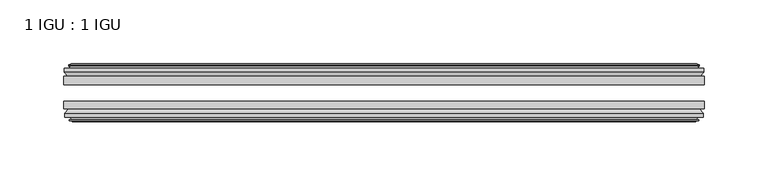
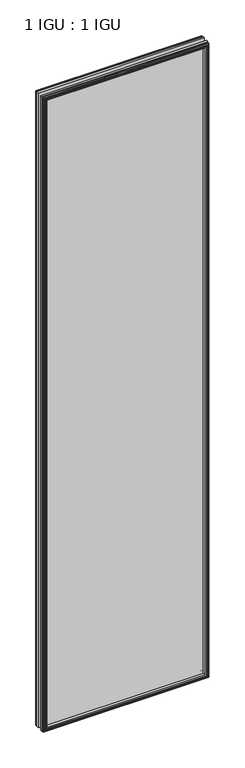
"""IFC4 building model written with IfcOpenShell, lengths in millimetres: plate geometry, 1 IGU : 1 IGU."""

from ifc_helpers import new_model, si_unit, frame, origin, place, context, project, spatial, polyline, outline, extrude, faceted_brep, source, transform, mapped, element, save


def plate_1_igu_1_igu_f9288320(model_context):
    return source(origin(), model_context, "Body", "SolidModel", [
        extrude(outline(polyline([(250.2202883, -25.8960937), (250.2202883, -32.2460938), (-250.2202883, -32.2460938), (-250.2202883, -25.8960937), (250.2202883, -25.8960937)])), frame((0.0, 0.0, -12.7), z_axis=(0.0, 0.0, 1.0), x_axis=(1.0, 0.0, 0.0)), (0.0, 0.0, 1.0), 2019.3),
        extrude(outline(polyline([(-250.2202883, -51.2960938), (-250.2202883, -45.2686737), (250.2202883, -45.2686737), (250.2202883, -51.2960938), (-250.2202883, -51.2960938)])), frame((0.0, 0.0, -12.7), z_axis=(0.0, 0.0, 1.0), x_axis=(1.0, 0.0, 0.0)), (0.0, 0.0, 1.0), 2019.3),
        faceted_brep([(-244.6322883, -60.0262907, 2001.012), (-245.0132883, -57.6460937, 2001.393), (-245.0132883, -57.6460937, -7.493), (-244.6322883, -60.0262907, -7.112), (-246.0478174, -59.5663575, 2002.4275291), (-246.0478174, -59.5663575, -8.5275291), (-246.0478174, -60.3675717, 2002.4275291), (-246.0478174, -60.3675717, -8.5275291), (-243.8702883, -61.0750937, 2000.25), (-243.8702883, -61.0750937, -6.35), (-241.6927593, -60.3675717, 1998.0724709), (-241.6927593, -60.3675717, -4.1724709), (-241.6927593, -59.5663575, 1998.0724709), (-241.6927593, -59.5663575, -4.1724709), (-243.1082883, -60.0262907, 1999.488), (-243.1082883, -60.0262907, -5.588), (-242.7272883, -57.6460937, 1999.107), (-242.7272883, -57.6460937, -5.207), (-235.8025703, -51.2960937, 1992.1822819), (-237.5202883, -57.6460937, 1993.9), (-237.5202883, -57.6460937, 0.0), (-235.8025703, -51.2960937, 1.7177181), (-249.4582883, -54.6996937, 2005.838), (-246.6239462, -51.2960937, 2003.0036578), (-246.6239462, -51.2960937, -9.1036578), (-249.4582883, -54.6996937, -11.938), (-249.4582883, -57.6460937, 2005.838), (-249.4582883, -57.6460937, -11.938), (245.0132883, -57.6460938, -7.493), (244.6322883, -60.0262907, -7.112), (246.0478174, -59.5663575, -8.5275291), (246.0478174, -60.3675717, -8.5275291), (243.8702883, -61.0750937, -6.35), (241.6927593, -60.3675717, -4.1724709), (241.6927593, -59.5663575, -4.1724709), (243.1082883, -60.0262907, -5.588), (242.7272883, -57.6460937, -5.207), (237.5202883, -57.6460937, 0.0), (235.8025703, -51.2960937, 1.7177181), (246.6239462, -51.2960937, -9.1036578), (249.4582883, -54.6996937, -11.938), (249.4582883, -57.6460938, -11.938), (245.0132883, -57.6460938, 2001.393), (244.6322883, -60.0262907, 2001.012), (246.0478174, -59.5663575, 2002.4275291), (246.0478174, -60.3675717, 2002.4275291), (243.8702883, -61.0750937, 2000.25), (241.6927593, -60.3675717, 1998.0724709), (241.6927593, -59.5663575, 1998.0724709), (243.1082883, -60.0262907, 1999.488), (242.7272883, -57.6460937, 1999.107), (237.5202883, -57.6460937, 1993.9), (235.8025703, -51.2960937, 1992.1822819), (246.6239462, -51.2960937, 2003.0036578), (249.4582883, -54.6996937, 2005.838), (249.4582883, -57.6460938, 2005.838)], [[[0, 1, 2, 3]], [[4, 0, 3, 5]], [[6, 4, 5, 7]], [[8, 6, 7, 9]], [[10, 8, 9, 11]], [[12, 10, 11, 13]], [[14, 12, 13, 15]], [[16, 14, 15, 17]], [[18, 19, 20, 21]], [[22, 23, 24, 25]], [[26, 22, 25, 27]], [[3, 2, 28, 29]], [[5, 3, 29, 30]], [[7, 5, 30, 31]], [[9, 7, 31, 32]], [[11, 9, 32, 33]], [[13, 11, 33, 34]], [[15, 13, 34, 35]], [[17, 15, 35, 36]], [[21, 20, 37, 38]], [[25, 24, 39, 40]], [[27, 25, 40, 41]], [[29, 28, 42, 43]], [[30, 29, 43, 44]], [[31, 30, 44, 45]], [[32, 31, 45, 46]], [[33, 32, 46, 47]], [[34, 33, 47, 48]], [[35, 34, 48, 49]], [[36, 35, 49, 50]], [[38, 37, 51, 52]], [[40, 39, 53, 54]], [[41, 40, 54, 55]], [[27, 41, 55, 26], [1, 42, 28, 2]], [[43, 42, 1, 0]], [[44, 43, 0, 4]], [[45, 44, 4, 6]], [[46, 45, 6, 8]], [[47, 46, 8, 10]], [[48, 47, 10, 12]], [[49, 48, 12, 14]], [[50, 49, 14, 16]], [[17, 36, 50, 16], [19, 51, 37, 20]], [[52, 51, 19, 18]], [[23, 53, 39, 24], [21, 38, 52, 18]], [[54, 53, 23, 22]], [[55, 54, 22, 26]]]),
        faceted_brep([(-247.1446462, -25.8960937, 2003.5243578), (-249.9789883, -22.4924937, 2006.3587), (-249.9789883, -22.4924937, -12.4587), (-247.1446462, -25.8960937, -9.6243578), (-238.0409883, -19.5460937, 1994.4207), (-236.3232703, -25.8960937, 1992.7029819), (-236.3232703, -25.8960937, 1.1970181), (-238.0409883, -19.5460937, -0.5207), (-243.6289883, -17.1658968, 2000.0087), (-243.2479883, -19.5460937, 1999.6277), (-243.2479883, -19.5460937, -5.7277), (-243.6289883, -17.1658968, -6.1087), (-242.2134593, -17.62583, 1998.5931709), (-242.2134593, -17.62583, -4.6931709), (-242.2134593, -16.8246158, 1998.5931709), (-242.2134593, -16.8246158, -4.6931709), (-244.3909883, -16.1170937, 2000.7707), (-244.3909883, -16.1170937, -6.8707), (-246.5685174, -16.8246158, 2002.9482291), (-246.5685174, -16.8246158, -9.0482291), (-246.5685174, -17.62583, 2002.9482291), (-246.5685174, -17.62583, -9.0482291), (-245.1529883, -17.1658968, 2001.5327), (-245.1529883, -17.1658968, -7.6327), (-245.5339883, -19.5460937, 2001.9137), (-245.5339883, -19.5460937, -8.0137), (-249.9789883, -19.5460937, 2006.3587), (-249.9789883, -19.5460937, -12.4587), (249.9789883, -22.4924937, -12.4587), (247.1446462, -25.8960937, -9.6243578), (236.3232703, -25.8960937, 1.1970181), (238.0409883, -19.5460937, -0.5207), (243.2479883, -19.5460937, -5.7277), (243.6289883, -17.1658968, -6.1087), (242.2134593, -17.62583, -4.6931709), (242.2134593, -16.8246158, -4.6931709), (244.3909883, -16.1170937, -6.8707), (246.5685174, -16.8246158, -9.0482291), (246.5685174, -17.62583, -9.0482291), (245.1529883, -17.1658968, -7.6327), (245.5339883, -19.5460937, -8.0137), (249.9789883, -19.5460937, -12.4587), (249.9789883, -22.4924937, 2006.3587), (247.1446462, -25.8960937, 2003.5243578), (236.3232703, -25.8960937, 1992.7029819), (238.0409883, -19.5460937, 1994.4207), (243.2479883, -19.5460937, 1999.6277), (243.6289883, -17.1658968, 2000.0087), (242.2134593, -17.62583, 1998.5931709), (242.2134593, -16.8246158, 1998.5931709), (244.3909883, -16.1170937, 2000.7707), (246.5685174, -16.8246158, 2002.9482291), (246.5685174, -17.62583, 2002.9482291), (245.1529883, -17.1658968, 2001.5327), (245.5339883, -19.5460937, 2001.9137), (249.9789883, -19.5460937, 2006.3587)], [[[0, 1, 2, 3]], [[4, 5, 6, 7]], [[8, 9, 10, 11]], [[12, 8, 11, 13]], [[14, 12, 13, 15]], [[16, 14, 15, 17]], [[18, 16, 17, 19]], [[20, 18, 19, 21]], [[22, 20, 21, 23]], [[24, 22, 23, 25]], [[1, 26, 27, 2]], [[3, 2, 28, 29]], [[7, 6, 30, 31]], [[11, 10, 32, 33]], [[13, 11, 33, 34]], [[15, 13, 34, 35]], [[17, 15, 35, 36]], [[19, 17, 36, 37]], [[21, 19, 37, 38]], [[23, 21, 38, 39]], [[25, 23, 39, 40]], [[2, 27, 41, 28]], [[29, 28, 42, 43]], [[31, 30, 44, 45]], [[33, 32, 46, 47]], [[34, 33, 47, 48]], [[35, 34, 48, 49]], [[36, 35, 49, 50]], [[37, 36, 50, 51]], [[38, 37, 51, 52]], [[39, 38, 52, 53]], [[40, 39, 53, 54]], [[28, 41, 55, 42]], [[43, 42, 1, 0]], [[3, 29, 43, 0], [5, 44, 30, 6]], [[45, 44, 5, 4]], [[9, 46, 32, 10], [7, 31, 45, 4]], [[47, 46, 9, 8]], [[48, 47, 8, 12]], [[49, 48, 12, 14]], [[50, 49, 14, 16]], [[51, 50, 16, 18]], [[52, 51, 18, 20]], [[53, 52, 20, 22]], [[54, 53, 22, 24]], [[26, 55, 41, 27], [25, 40, 54, 24]], [[42, 55, 26, 1]]]),
    ])


if __name__ == "__main__":
    model = new_model("IFC4")
    model_context = context("Model", 3, world=origin())
    ifc_project = project(units=[si_unit("LENGTHUNIT", "METRE", prefix="MILLI")], contexts=[model_context])
    site = spatial("IfcSite", under=ifc_project)
    building = spatial("IfcBuilding", under=site)
    placement = place(None, origin())
    plate_1_igu_1_igu_shape = plate_1_igu_1_igu_f9288320(model_context)
    element("IfcPlate", 1, ObjectType="1 IGU : 1 IGU", at=placement, inside=building, context=model_context, shape_type="MappedRepresentation", body=[
        mapped(plate_1_igu_1_igu_shape, transform((0.0, 0.0, 0.0), x_axis=(1.0, 0.0, 0.0), y_axis=(0.0, 1.0, 0.0), z_axis=(0.0, 0.0, 1.0))),
    ])
    save(model, "model.ifc")
